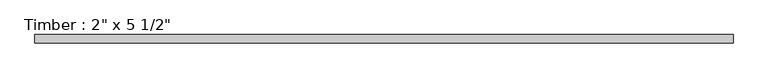
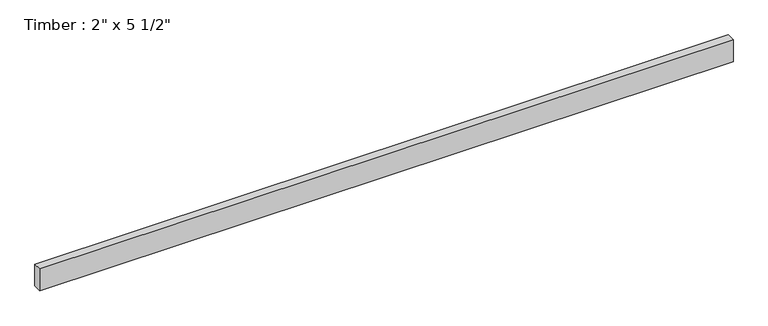
"""IFC4 building model written with IfcOpenShell, lengths in millimetres: beam geometry."""

from ifc_helpers import new_model, si_unit, frame, origin, place, context, project, spatial, polyline, outline, extrude, source, transform, mapped, element, save


def beam_c191a07b(model_context):
    return source(origin(), model_context, "Body", "SweptSolid", [
        extrude(outline(polyline([(2054.4478931, 25.4), (2054.4478931, -25.4), (-2138.9738135, -25.4), (-2138.9738135, 25.4), (2054.4478931, 25.4)])), frame((0.0, 0.0, -69.85), z_axis=(0.0, 0.0, 1.0), x_axis=(1.0, 0.0, 0.0)), (0.0, 0.0, 1.0), 139.7),
    ])


if __name__ == "__main__":
    model = new_model("IFC4")
    model_context = context("Model", 3, world=origin())
    ifc_project = project(units=[si_unit("LENGTHUNIT", "METRE", prefix="MILLI")], contexts=[model_context])
    site = spatial("IfcSite", under=ifc_project)
    building = spatial("IfcBuilding", under=site)
    placement = place(None, origin())
    beam_shape = beam_c191a07b(model_context)
    element("IfcBeam", 1, ObjectType="Timber : 2\" x 5 1/2\"", at=placement, inside=building, context=model_context, shape_type="MappedRepresentation", body=[
        mapped(beam_shape, transform((0.0, 0.0, 0.0), x_axis=(1.0, 0.0, 0.0), y_axis=(0.0, 1.0, 0.0), z_axis=(0.0, 0.0, 1.0))),
    ])
    save(model, "model.ifc")
